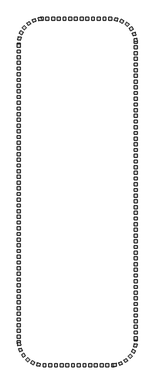
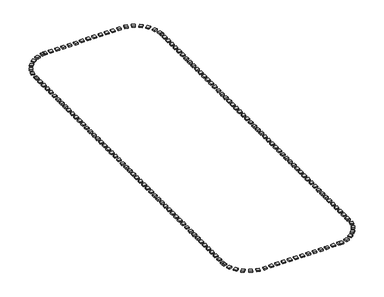
"""IFC4 building model written with IfcOpenShell, lengths in millimetres: railing geometry."""

from ifc_helpers import new_model, si_unit, origin, origin_with_axes, place, context, project, spatial, polyline, outline, extrude, source, transform, mapped, element, save


def railing_aa6bc976(model_context):
    return source(origin(), model_context, "Body", "SweptSolid", [
        extrude(outline(polyline([(-34627.5176302, -182245.3396431), (-34627.5176302, -182745.3396431), (-35127.5176302, -182745.3396431), (-35127.5176302, -182245.3396431), (-34627.5176302, -182245.3396431)])), origin_with_axes(), (0.0, 0.0, 1.0), 200.0),
        extrude(outline(polyline([(-35627.5176302, -182245.3396431), (-35627.5176302, -182745.3396431), (-36127.5176302, -182745.3396431), (-36127.5176302, -182245.3396431), (-35627.5176302, -182245.3396431)])), origin_with_axes(), (0.0, 0.0, 1.0), 200.0),
        extrude(outline(polyline([(-36627.5176302, -182245.3396431), (-36627.5176302, -182745.3396431), (-37127.5176302, -182745.3396431), (-37127.5176302, -182245.3396431), (-36627.5176302, -182245.3396431)])), origin_with_axes(), (0.0, 0.0, 1.0), 200.0),
        extrude(outline(polyline([(-37627.5176302, -182245.3396431), (-37627.5176302, -182745.3396431), (-38127.5176302, -182745.3396431), (-38127.5176302, -182245.3396431), (-37627.5176302, -182245.3396431)])), origin_with_axes(), (0.0, 0.0, 1.0), 200.0),
        extrude(outline(polyline([(-38627.5176302, -182245.3396431), (-38627.5176302, -182745.3396431), (-39127.5176302, -182745.3396431), (-39127.5176302, -182245.3396431), (-38627.5176302, -182245.3396431)])), origin_with_axes(), (0.0, 0.0, 1.0), 200.0),
        extrude(outline(polyline([(-39627.5176302, -182245.3396431), (-39627.5176302, -182745.3396431), (-40127.5176302, -182745.3396431), (-40127.5176302, -182245.3396431), (-39627.5176302, -182245.3396431)])), origin_with_axes(), (0.0, 0.0, 1.0), 200.0),
        extrude(outline(polyline([(-40627.5176302, -182245.3396431), (-40627.5176302, -182745.3396431), (-41127.5176302, -182745.3396431), (-41127.5176302, -182245.3396431), (-40627.5176302, -182245.3396431)])), origin_with_axes(), (0.0, 0.0, 1.0), 200.0),
        extrude(outline(polyline([(-41627.5176302, -182245.3396431), (-41627.5176302, -182745.3396431), (-42127.5176302, -182745.3396431), (-42127.5176302, -182245.3396431), (-41627.5176302, -182245.3396431)])), origin_with_axes(), (0.0, 0.0, 1.0), 200.0),
        extrude(outline(polyline([(-42627.5176302, -182245.3396431), (-42627.5176302, -182745.3396431), (-43127.5176302, -182745.3396431), (-43127.5176302, -182245.3396431), (-42627.5176302, -182245.3396431)])), origin_with_axes(), (0.0, 0.0, 1.0), 200.0),
        extrude(outline(polyline([(-43627.5176302, -182245.3396431), (-43627.5176302, -182745.3396431), (-44127.5176302, -182745.3396431), (-44127.5176302, -182245.3396431), (-43627.5176302, -182245.3396431)])), origin_with_axes(), (0.0, 0.0, 1.0), 200.0),
        extrude(outline(polyline([(-44627.5176302, -182245.3396431), (-44627.5176302, -182745.3396431), (-45127.5176302, -182745.3396431), (-45127.5176302, -182245.3396431), (-44627.5176302, -182245.3396431)])), origin_with_axes(), (0.0, 0.0, 1.0), 200.0),
        extrude(outline(polyline([(-45945.8350377, -182256.6122034), (-45910.4664368, -182755.3596967), (-46409.2139301, -182790.7282975), (-46444.582531, -182291.9808042), (-45945.8350377, -182256.6122034)])), origin_with_axes(), (0.0, 0.0, 1.0), 200.0),
        extrude(outline(polyline([(-47046.4682609, -182474.908856), (-46888.8070797, -182949.4011657), (-47363.2993894, -183107.0623469), (-47520.9605706, -182632.5700372), (-47046.4682609, -182474.908856)])), origin_with_axes(), (0.0, 0.0, 1.0), 200.0),
        extrude(outline(polyline([(-48058.8780066, -182958.7202115), (-47788.7268536, -183379.4557039), (-48209.462346, -183649.6068568), (-48479.613499, -183228.8713644), (-48058.8780066, -182958.7202115)])), origin_with_axes(), (0.0, 0.0, 1.0), 200.0),
        extrude(outline(polyline([(-48920.1175401, -183677.965223), (-48554.2731056, -184018.784603), (-48895.0924857, -184384.6290375), (-49260.9369201, -184043.8096575), (-48920.1175401, -183677.965223)])), origin_with_axes(), (0.0, 0.0, 1.0), 200.0),
        extrude(outline(polyline([(-49576.6391587, -184587.9247194), (-49137.8478777, -184827.6374887), (-49377.560647, -185266.4287697), (-49816.351928, -185026.7160004), (-49576.6391587, -184587.9247194)])), origin_with_axes(), (0.0, 0.0, 1.0), 200.0),
        extrude(outline(polyline([(-49987.6235278, -185632.0218265), (-49503.167317, -185755.7238061), (-49626.8692966, -186240.180017), (-50111.3255075, -186116.4780373), (-49987.6235278, -185632.0218265)])), origin_with_axes(), (0.0, 0.0, 1.0), 200.0),
        extrude(outline(polyline([(-50127.5176302, -186954.0566268), (-49627.5176302, -186954.0566268), (-49627.5176302, -187454.0566268), (-50127.5176302, -187454.0566268), (-50127.5176302, -186954.0566268)])), origin_with_axes(), (0.0, 0.0, 1.0), 200.0),
        extrude(outline(polyline([(-50127.5176302, -187954.0566268), (-49627.5176302, -187954.0566268), (-49627.5176302, -188454.0566268), (-50127.5176302, -188454.0566268), (-50127.5176302, -187954.0566268)])), origin_with_axes(), (0.0, 0.0, 1.0), 200.0),
        extrude(outline(polyline([(-50127.5176302, -188954.0566268), (-49627.5176302, -188954.0566268), (-49627.5176302, -189454.0566268), (-50127.5176302, -189454.0566268), (-50127.5176302, -188954.0566268)])), origin_with_axes(), (0.0, 0.0, 1.0), 200.0),
        extrude(outline(polyline([(-50127.5176302, -189954.0566268), (-49627.5176302, -189954.0566268), (-49627.5176302, -190454.0566268), (-50127.5176302, -190454.0566268), (-50127.5176302, -189954.0566268)])), origin_with_axes(), (0.0, 0.0, 1.0), 200.0),
        extrude(outline(polyline([(-50127.5176302, -190954.0566268), (-49627.5176302, -190954.0566268), (-49627.5176302, -191454.0566268), (-50127.5176302, -191454.0566268), (-50127.5176302, -190954.0566268)])), origin_with_axes(), (0.0, 0.0, 1.0), 200.0),
        extrude(outline(polyline([(-50127.5176302, -191954.0566268), (-49627.5176302, -191954.0566268), (-49627.5176302, -192454.0566268), (-50127.5176302, -192454.0566268), (-50127.5176302, -191954.0566268)])), origin_with_axes(), (0.0, 0.0, 1.0), 200.0),
        extrude(outline(polyline([(-50127.5176302, -192954.0566268), (-49627.5176302, -192954.0566268), (-49627.5176302, -193454.0566268), (-50127.5176302, -193454.0566268), (-50127.5176302, -192954.0566268)])), origin_with_axes(), (0.0, 0.0, 1.0), 200.0),
        extrude(outline(polyline([(-50127.5176302, -193954.0566268), (-49627.5176302, -193954.0566268), (-49627.5176302, -194454.0566268), (-50127.5176302, -194454.0566268), (-50127.5176302, -193954.0566268)])), origin_with_axes(), (0.0, 0.0, 1.0), 200.0),
        extrude(outline(polyline([(-50127.5176302, -194954.0566268), (-49627.5176302, -194954.0566268), (-49627.5176302, -195454.0566268), (-50127.5176302, -195454.0566268), (-50127.5176302, -194954.0566268)])), origin_with_axes(), (0.0, 0.0, 1.0), 200.0),
        extrude(outline(polyline([(-50127.5176302, -195954.0566268), (-49627.5176302, -195954.0566268), (-49627.5176302, -196454.0566268), (-50127.5176302, -196454.0566268), (-50127.5176302, -195954.0566268)])), origin_with_axes(), (0.0, 0.0, 1.0), 200.0),
        extrude(outline(polyline([(-50127.5176302, -196954.0566268), (-49627.5176302, -196954.0566268), (-49627.5176302, -197454.0566268), (-50127.5176302, -197454.0566268), (-50127.5176302, -196954.0566268)])), origin_with_axes(), (0.0, 0.0, 1.0), 200.0),
        extrude(outline(polyline([(-50127.5176302, -197954.0566268), (-49627.5176302, -197954.0566268), (-49627.5176302, -198454.0566268), (-50127.5176302, -198454.0566268), (-50127.5176302, -197954.0566268)])), origin_with_axes(), (0.0, 0.0, 1.0), 200.0),
        extrude(outline(polyline([(-50127.5176302, -198954.0566268), (-49627.5176302, -198954.0566268), (-49627.5176302, -199454.0566268), (-50127.5176302, -199454.0566268), (-50127.5176302, -198954.0566268)])), origin_with_axes(), (0.0, 0.0, 1.0), 200.0),
        extrude(outline(polyline([(-50127.5176302, -199954.0566268), (-49627.5176302, -199954.0566268), (-49627.5176302, -200454.0566268), (-50127.5176302, -200454.0566268), (-50127.5176302, -199954.0566268)])), origin_with_axes(), (0.0, 0.0, 1.0), 200.0),
        extrude(outline(polyline([(-50127.5176302, -200954.0566268), (-49627.5176302, -200954.0566268), (-49627.5176302, -201454.0566268), (-50127.5176302, -201454.0566268), (-50127.5176302, -200954.0566268)])), origin_with_axes(), (0.0, 0.0, 1.0), 200.0),
        extrude(outline(polyline([(-50127.5176302, -201954.0566268), (-49627.5176302, -201954.0566268), (-49627.5176302, -202454.0566268), (-50127.5176302, -202454.0566268), (-50127.5176302, -201954.0566268)])), origin_with_axes(), (0.0, 0.0, 1.0), 200.0),
        extrude(outline(polyline([(-50127.5176302, -202954.0566268), (-49627.5176302, -202954.0566268), (-49627.5176302, -203454.0566268), (-50127.5176302, -203454.0566268), (-50127.5176302, -202954.0566268)])), origin_with_axes(), (0.0, 0.0, 1.0), 200.0),
        extrude(outline(polyline([(-50127.5176302, -203954.0566268), (-49627.5176302, -203954.0566268), (-49627.5176302, -204454.0566268), (-50127.5176302, -204454.0566268), (-50127.5176302, -203954.0566268)])), origin_with_axes(), (0.0, 0.0, 1.0), 200.0),
        extrude(outline(polyline([(-50127.5176302, -204954.0566268), (-49627.5176302, -204954.0566268), (-49627.5176302, -205454.0566268), (-50127.5176302, -205454.0566268), (-50127.5176302, -204954.0566268)])), origin_with_axes(), (0.0, 0.0, 1.0), 200.0),
        extrude(outline(polyline([(-50127.5176302, -205954.0566268), (-49627.5176302, -205954.0566268), (-49627.5176302, -206454.0566268), (-50127.5176302, -206454.0566268), (-50127.5176302, -205954.0566268)])), origin_with_axes(), (0.0, 0.0, 1.0), 200.0),
        extrude(outline(polyline([(-50127.5176302, -206954.0566268), (-49627.5176302, -206954.0566268), (-49627.5176302, -207454.0566268), (-50127.5176302, -207454.0566268), (-50127.5176302, -206954.0566268)])), origin_with_axes(), (0.0, 0.0, 1.0), 200.0),
        extrude(outline(polyline([(-50127.5176302, -207954.0566268), (-49627.5176302, -207954.0566268), (-49627.5176302, -208454.0566268), (-50127.5176302, -208454.0566268), (-50127.5176302, -207954.0566268)])), origin_with_axes(), (0.0, 0.0, 1.0), 200.0),
        extrude(outline(polyline([(-50127.5176302, -208954.0566268), (-49627.5176302, -208954.0566268), (-49627.5176302, -209454.0566268), (-50127.5176302, -209454.0566268), (-50127.5176302, -208954.0566268)])), origin_with_axes(), (0.0, 0.0, 1.0), 200.0),
        extrude(outline(polyline([(-50127.5176302, -209954.0566268), (-49627.5176302, -209954.0566268), (-49627.5176302, -210454.0566268), (-50127.5176302, -210454.0566268), (-50127.5176302, -209954.0566268)])), origin_with_axes(), (0.0, 0.0, 1.0), 200.0),
        extrude(outline(polyline([(-50127.5176302, -210954.0566268), (-49627.5176302, -210954.0566268), (-49627.5176302, -211454.0566268), (-50127.5176302, -211454.0566268), (-50127.5176302, -210954.0566268)])), origin_with_axes(), (0.0, 0.0, 1.0), 200.0),
        extrude(outline(polyline([(-50127.5176302, -211954.0566268), (-49627.5176302, -211954.0566268), (-49627.5176302, -212454.0566268), (-50127.5176302, -212454.0566268), (-50127.5176302, -211954.0566268)])), origin_with_axes(), (0.0, 0.0, 1.0), 200.0),
        extrude(outline(polyline([(-50127.5176302, -212954.0566268), (-49627.5176302, -212954.0566268), (-49627.5176302, -213454.0566268), (-50127.5176302, -213454.0566268), (-50127.5176302, -212954.0566268)])), origin_with_axes(), (0.0, 0.0, 1.0), 200.0),
        extrude(outline(polyline([(-50127.5176302, -213954.0566268), (-49627.5176302, -213954.0566268), (-49627.5176302, -214454.0566268), (-50127.5176302, -214454.0566268), (-50127.5176302, -213954.0566268)])), origin_with_axes(), (0.0, 0.0, 1.0), 200.0),
        extrude(outline(polyline([(-50127.5176302, -214954.0566268), (-49627.5176302, -214954.0566268), (-49627.5176302, -215454.0566268), (-50127.5176302, -215454.0566268), (-50127.5176302, -214954.0566268)])), origin_with_axes(), (0.0, 0.0, 1.0), 200.0),
        extrude(outline(polyline([(-50127.5176302, -215954.0566268), (-49627.5176302, -215954.0566268), (-49627.5176302, -216454.0566268), (-50127.5176302, -216454.0566268), (-50127.5176302, -215954.0566268)])), origin_with_axes(), (0.0, 0.0, 1.0), 200.0),
        extrude(outline(polyline([(-50127.5176302, -216954.0566268), (-49627.5176302, -216954.0566268), (-49627.5176302, -217454.0566268), (-50127.5176302, -217454.0566268), (-50127.5176302, -216954.0566268)])), origin_with_axes(), (0.0, 0.0, 1.0), 200.0),
        extrude(outline(polyline([(-50127.5176302, -217954.0566268), (-49627.5176302, -217954.0566268), (-49627.5176302, -218454.0566268), (-50127.5176302, -218454.0566268), (-50127.5176302, -217954.0566268)])), origin_with_axes(), (0.0, 0.0, 1.0), 200.0),
        extrude(outline(polyline([(-50127.5176302, -218954.0566268), (-49627.5176302, -218954.0566268), (-49627.5176302, -219454.0566268), (-50127.5176302, -219454.0566268), (-50127.5176302, -218954.0566268)])), origin_with_axes(), (0.0, 0.0, 1.0), 200.0),
        extrude(outline(polyline([(-50127.5176302, -219954.0566268), (-49627.5176302, -219954.0566268), (-49627.5176302, -220454.0566268), (-50127.5176302, -220454.0566268), (-50127.5176302, -219954.0566268)])), origin_with_axes(), (0.0, 0.0, 1.0), 200.0),
        extrude(outline(polyline([(-50127.5176302, -220954.0566268), (-49627.5176302, -220954.0566268), (-49627.5176302, -221454.0566268), (-50127.5176302, -221454.0566268), (-50127.5176302, -220954.0566268)])), origin_with_axes(), (0.0, 0.0, 1.0), 200.0),
        extrude(outline(polyline([(-50127.5176302, -221954.0566268), (-49627.5176302, -221954.0566268), (-49627.5176302, -222454.0566268), (-50127.5176302, -222454.0566268), (-50127.5176302, -221954.0566268)])), origin_with_axes(), (0.0, 0.0, 1.0), 200.0),
        extrude(outline(polyline([(-50127.5176302, -222954.0566268), (-49627.5176302, -222954.0566268), (-49627.5176302, -223454.0566268), (-50127.5176302, -223454.0566268), (-50127.5176302, -222954.0566268)])), origin_with_axes(), (0.0, 0.0, 1.0), 200.0),
        extrude(outline(polyline([(-50127.5176302, -223954.0566268), (-49627.5176302, -223954.0566268), (-49627.5176302, -224454.0566268), (-50127.5176302, -224454.0566268), (-50127.5176302, -223954.0566268)])), origin_with_axes(), (0.0, 0.0, 1.0), 200.0),
        extrude(outline(polyline([(-50127.5176302, -224954.0566268), (-49627.5176302, -224954.0566268), (-49627.5176302, -225454.0566268), (-50127.5176302, -225454.0566268), (-50127.5176302, -224954.0566268)])), origin_with_axes(), (0.0, 0.0, 1.0), 200.0),
        extrude(outline(polyline([(-50127.5176302, -225954.0566268), (-49627.5176302, -225954.0566268), (-49627.5176302, -226454.0566268), (-50127.5176302, -226454.0566268), (-50127.5176302, -225954.0566268)])), origin_with_axes(), (0.0, 0.0, 1.0), 200.0),
        extrude(outline(polyline([(-50127.5176302, -226954.0566268), (-49627.5176302, -226954.0566268), (-49627.5176302, -227454.0566268), (-50127.5176302, -227454.0566268), (-50127.5176302, -226954.0566268)])), origin_with_axes(), (0.0, 0.0, 1.0), 200.0),
        extrude(outline(polyline([(-50127.5176302, -227954.0566268), (-49627.5176302, -227954.0566268), (-49627.5176302, -228454.0566268), (-50127.5176302, -228454.0566268), (-50127.5176302, -227954.0566268)])), origin_with_axes(), (0.0, 0.0, 1.0), 200.0),
        extrude(outline(polyline([(-50127.5176302, -228954.0566268), (-49627.5176302, -228954.0566268), (-49627.5176302, -229454.0566268), (-50127.5176302, -229454.0566268), (-50127.5176302, -228954.0566268)])), origin_with_axes(), (0.0, 0.0, 1.0), 200.0),
        extrude(outline(polyline([(-50127.5176302, -229954.0566268), (-49627.5176302, -229954.0566268), (-49627.5176302, -230454.0566268), (-50127.5176302, -230454.0566268), (-50127.5176302, -229954.0566268)])), origin_with_axes(), (0.0, 0.0, 1.0), 200.0),
        extrude(outline(polyline([(-50127.5176302, -230954.0566268), (-49627.5176302, -230954.0566268), (-49627.5176302, -231454.0566268), (-50127.5176302, -231454.0566268), (-50127.5176302, -230954.0566268)])), origin_with_axes(), (0.0, 0.0, 1.0), 200.0),
        extrude(outline(polyline([(-50127.5176302, -231954.0566268), (-49627.5176302, -231954.0566268), (-49627.5176302, -232454.0566268), (-50127.5176302, -232454.0566268), (-50127.5176302, -231954.0566268)])), origin_with_axes(), (0.0, 0.0, 1.0), 200.0),
        extrude(outline(polyline([(-50127.5176302, -232954.0566268), (-49627.5176302, -232954.0566268), (-49627.5176302, -233454.0566268), (-50127.5176302, -233454.0566268), (-50127.5176302, -232954.0566268)])), origin_with_axes(), (0.0, 0.0, 1.0), 200.0),
        extrude(outline(polyline([(-50127.5176302, -233954.0566268), (-49627.5176302, -233954.0566268), (-49627.5176302, -234454.0566268), (-50127.5176302, -234454.0566268), (-50127.5176302, -233954.0566268)])), origin_with_axes(), (0.0, 0.0, 1.0), 200.0),
        extrude(outline(polyline([(-50127.5176302, -234954.0566268), (-49627.5176302, -234954.0566268), (-49627.5176302, -235454.0566268), (-50127.5176302, -235454.0566268), (-50127.5176302, -234954.0566268)])), origin_with_axes(), (0.0, 0.0, 1.0), 200.0),
        extrude(outline(polyline([(-50127.5176302, -235954.0566268), (-49627.5176302, -235954.0566268), (-49627.5176302, -236454.0566268), (-50127.5176302, -236454.0566268), (-50127.5176302, -235954.0566268)])), origin_with_axes(), (0.0, 0.0, 1.0), 200.0),
        extrude(outline(polyline([(-50127.5176302, -236954.0566268), (-49627.5176302, -236954.0566268), (-49627.5176302, -237454.0566268), (-50127.5176302, -237454.0566268), (-50127.5176302, -236954.0566268)])), origin_with_axes(), (0.0, 0.0, 1.0), 200.0),
        extrude(outline(polyline([(-50127.5176302, -237954.0566268), (-49627.5176302, -237954.0566268), (-49627.5176302, -238454.0566268), (-50127.5176302, -238454.0566268), (-50127.5176302, -237954.0566268)])), origin_with_axes(), (0.0, 0.0, 1.0), 200.0),
        extrude(outline(polyline([(-50116.2450699, -239272.3740343), (-49617.4975766, -239237.0054335), (-49582.1289757, -239735.7529268), (-50080.876469, -239771.1215276), (-50116.2450699, -239272.3740343)])), origin_with_axes(), (0.0, 0.0, 1.0), 200.0),
        extrude(outline(polyline([(-49897.9484173, -240373.0072576), (-49423.4561076, -240215.3460764), (-49265.7949264, -240689.838386), (-49740.2872361, -240847.4995672), (-49897.9484173, -240373.0072576)])), origin_with_axes(), (0.0, 0.0, 1.0), 200.0),
        extrude(outline(polyline([(-49414.1370618, -241385.4170032), (-48993.4015694, -241115.2658503), (-48723.2504164, -241536.0013427), (-49143.9859089, -241806.1524956), (-49414.1370618, -241385.4170032)])), origin_with_axes(), (0.0, 0.0, 1.0), 200.0),
        extrude(outline(polyline([(-48694.8920503, -242246.6565367), (-48354.0726702, -241880.8121023), (-47988.2282358, -242221.6314823), (-48329.0476158, -242587.4759167), (-48694.8920503, -242246.6565367)])), origin_with_axes(), (0.0, 0.0, 1.0), 200.0),
        extrude(outline(polyline([(-47784.9325539, -242903.1781553), (-47545.2197846, -242464.3868743), (-47106.4285036, -242704.0996436), (-47346.1412729, -243142.8909246), (-47784.9325539, -242903.1781553)])), origin_with_axes(), (0.0, 0.0, 1.0), 200.0),
        extrude(outline(polyline([(-46740.8354468, -243314.1625245), (-46617.1334672, -242829.7063136), (-46132.6772563, -242953.4082933), (-46256.3792359, -243437.8645041), (-46740.8354468, -243314.1625245)])), origin_with_axes(), (0.0, 0.0, 1.0), 200.0),
        extrude(outline(polyline([(-44627.5176302, -243454.0566268), (-44627.5176302, -242954.0566268), (-44127.5176302, -242954.0566268), (-44127.5176302, -243454.0566268), (-44627.5176302, -243454.0566268)])), origin_with_axes(), (0.0, 0.0, 1.0), 200.0),
        extrude(outline(polyline([(-43627.5176302, -243454.0566268), (-43627.5176302, -242954.0566268), (-43127.5176302, -242954.0566268), (-43127.5176302, -243454.0566268), (-43627.5176302, -243454.0566268)])), origin_with_axes(), (0.0, 0.0, 1.0), 200.0),
        extrude(outline(polyline([(-42627.5176302, -243454.0566268), (-42627.5176302, -242954.0566268), (-42127.5176302, -242954.0566268), (-42127.5176302, -243454.0566268), (-42627.5176302, -243454.0566268)])), origin_with_axes(), (0.0, 0.0, 1.0), 200.0),
        extrude(outline(polyline([(-41627.5176302, -243454.0566268), (-41627.5176302, -242954.0566268), (-41127.5176302, -242954.0566268), (-41127.5176302, -243454.0566268), (-41627.5176302, -243454.0566268)])), origin_with_axes(), (0.0, 0.0, 1.0), 200.0),
        extrude(outline(polyline([(-40627.5176302, -243454.0566268), (-40627.5176302, -242954.0566268), (-40127.5176302, -242954.0566268), (-40127.5176302, -243454.0566268), (-40627.5176302, -243454.0566268)])), origin_with_axes(), (0.0, 0.0, 1.0), 200.0),
        extrude(outline(polyline([(-39627.5176302, -243454.0566268), (-39627.5176302, -242954.0566268), (-39127.5176302, -242954.0566268), (-39127.5176302, -243454.0566268), (-39627.5176302, -243454.0566268)])), origin_with_axes(), (0.0, 0.0, 1.0), 200.0),
        extrude(outline(polyline([(-38627.5176302, -243454.0566268), (-38627.5176302, -242954.0566268), (-38127.5176302, -242954.0566268), (-38127.5176302, -243454.0566268), (-38627.5176302, -243454.0566268)])), origin_with_axes(), (0.0, 0.0, 1.0), 200.0),
        extrude(outline(polyline([(-37627.5176302, -243454.0566268), (-37627.5176302, -242954.0566268), (-37127.5176302, -242954.0566268), (-37127.5176302, -243454.0566268), (-37627.5176302, -243454.0566268)])), origin_with_axes(), (0.0, 0.0, 1.0), 200.0),
        extrude(outline(polyline([(-36627.5176302, -243454.0566268), (-36627.5176302, -242954.0566268), (-36127.5176302, -242954.0566268), (-36127.5176302, -243454.0566268), (-36627.5176302, -243454.0566268)])), origin_with_axes(), (0.0, 0.0, 1.0), 200.0),
        extrude(outline(polyline([(-35627.5176302, -243454.0566268), (-35627.5176302, -242954.0566268), (-35127.5176302, -242954.0566268), (-35127.5176302, -243454.0566268), (-35627.5176302, -243454.0566268)])), origin_with_axes(), (0.0, 0.0, 1.0), 200.0),
        extrude(outline(polyline([(-34627.5176302, -243454.0566268), (-34627.5176302, -242954.0566268), (-34127.5176302, -242954.0566268), (-34127.5176302, -243454.0566268), (-34627.5176302, -243454.0566268)])), origin_with_axes(), (0.0, 0.0, 1.0), 200.0),
        extrude(outline(polyline([(-33309.2002226, -243442.7840665), (-33344.5688235, -242944.0365732), (-32845.8213302, -242908.6679724), (-32810.4527293, -243407.4154657), (-33309.2002226, -243442.7840665)])), origin_with_axes(), (0.0, 0.0, 1.0), 200.0),
        extrude(outline(polyline([(-32208.5669994, -243224.4874139), (-32366.2281806, -242749.9951042), (-31891.7358709, -242592.333923), (-31734.0746897, -243066.8262327), (-32208.5669994, -243224.4874139)])), origin_with_axes(), (0.0, 0.0, 1.0), 200.0),
        extrude(outline(polyline([(-31196.1572537, -242740.6760584), (-31466.3084067, -242319.940566), (-31045.5729143, -242049.7894131), (-30775.4217613, -242470.5249055), (-31196.1572537, -242740.6760584)])), origin_with_axes(), (0.0, 0.0, 1.0), 200.0),
        extrude(outline(polyline([(-30334.9177202, -242021.4310469), (-30700.7621547, -241680.6116669), (-30359.9427746, -241314.7672324), (-29994.0983402, -241655.5866125), (-30334.9177202, -242021.4310469)])), origin_with_axes(), (0.0, 0.0, 1.0), 200.0),
        extrude(outline(polyline([(-29678.3961016, -241111.4715505), (-30117.1873826, -240871.7587812), (-29877.4746133, -240432.9675003), (-29438.6833323, -240672.6802696), (-29678.3961016, -241111.4715505)])), origin_with_axes(), (0.0, 0.0, 1.0), 200.0),
        extrude(outline(polyline([(-29267.4117325, -240067.3744434), (-29751.8679433, -239943.6724638), (-29628.1659637, -239459.2162529), (-29143.7097528, -239582.9182326), (-29267.4117325, -240067.3744434)])), origin_with_axes(), (0.0, 0.0, 1.0), 200.0),
        extrude(outline(polyline([(-29127.5176302, -238745.3396431), (-29627.5176302, -238745.3396431), (-29627.5176302, -238245.3396431), (-29127.5176302, -238245.3396431), (-29127.5176302, -238745.3396431)])), origin_with_axes(), (0.0, 0.0, 1.0), 200.0),
        extrude(outline(polyline([(-29127.5176302, -237745.3396431), (-29627.5176302, -237745.3396431), (-29627.5176302, -237245.3396431), (-29127.5176302, -237245.3396431), (-29127.5176302, -237745.3396431)])), origin_with_axes(), (0.0, 0.0, 1.0), 200.0),
        extrude(outline(polyline([(-29127.5176302, -236745.3396431), (-29627.5176302, -236745.3396431), (-29627.5176302, -236245.3396431), (-29127.5176302, -236245.3396431), (-29127.5176302, -236745.3396431)])), origin_with_axes(), (0.0, 0.0, 1.0), 200.0),
        extrude(outline(polyline([(-29127.5176302, -235745.3396431), (-29627.5176302, -235745.3396431), (-29627.5176302, -235245.3396431), (-29127.5176302, -235245.3396431), (-29127.5176302, -235745.3396431)])), origin_with_axes(), (0.0, 0.0, 1.0), 200.0),
        extrude(outline(polyline([(-29127.5176302, -234745.3396431), (-29627.5176302, -234745.3396431), (-29627.5176302, -234245.3396431), (-29127.5176302, -234245.3396431), (-29127.5176302, -234745.3396431)])), origin_with_axes(), (0.0, 0.0, 1.0), 200.0),
        extrude(outline(polyline([(-29127.5176302, -233745.3396431), (-29627.5176302, -233745.3396431), (-29627.5176302, -233245.3396431), (-29127.5176302, -233245.3396431), (-29127.5176302, -233745.3396431)])), origin_with_axes(), (0.0, 0.0, 1.0), 200.0),
        extrude(outline(polyline([(-29127.5176302, -232745.3396431), (-29627.5176302, -232745.3396431), (-29627.5176302, -232245.3396431), (-29127.5176302, -232245.3396431), (-29127.5176302, -232745.3396431)])), origin_with_axes(), (0.0, 0.0, 1.0), 200.0),
        extrude(outline(polyline([(-29127.5176302, -231745.3396431), (-29627.5176302, -231745.3396431), (-29627.5176302, -231245.3396431), (-29127.5176302, -231245.3396431), (-29127.5176302, -231745.3396431)])), origin_with_axes(), (0.0, 0.0, 1.0), 200.0),
        extrude(outline(polyline([(-29127.5176302, -230745.3396431), (-29627.5176302, -230745.3396431), (-29627.5176302, -230245.3396431), (-29127.5176302, -230245.3396431), (-29127.5176302, -230745.3396431)])), origin_with_axes(), (0.0, 0.0, 1.0), 200.0),
        extrude(outline(polyline([(-29127.5176302, -229745.3396431), (-29627.5176302, -229745.3396431), (-29627.5176302, -229245.3396431), (-29127.5176302, -229245.3396431), (-29127.5176302, -229745.3396431)])), origin_with_axes(), (0.0, 0.0, 1.0), 200.0),
        extrude(outline(polyline([(-29127.5176302, -228745.3396431), (-29627.5176302, -228745.3396431), (-29627.5176302, -228245.3396431), (-29127.5176302, -228245.3396431), (-29127.5176302, -228745.3396431)])), origin_with_axes(), (0.0, 0.0, 1.0), 200.0),
        extrude(outline(polyline([(-29127.5176302, -227745.3396431), (-29627.5176302, -227745.3396431), (-29627.5176302, -227245.3396431), (-29127.5176302, -227245.3396431), (-29127.5176302, -227745.3396431)])), origin_with_axes(), (0.0, 0.0, 1.0), 200.0),
        extrude(outline(polyline([(-29127.5176302, -226745.3396431), (-29627.5176302, -226745.3396431), (-29627.5176302, -226245.3396431), (-29127.5176302, -226245.3396431), (-29127.5176302, -226745.3396431)])), origin_with_axes(), (0.0, 0.0, 1.0), 200.0),
        extrude(outline(polyline([(-29127.5176302, -225745.3396431), (-29627.5176302, -225745.3396431), (-29627.5176302, -225245.3396431), (-29127.5176302, -225245.3396431), (-29127.5176302, -225745.3396431)])), origin_with_axes(), (0.0, 0.0, 1.0), 200.0),
        extrude(outline(polyline([(-29127.5176302, -224745.3396431), (-29627.5176302, -224745.3396431), (-29627.5176302, -224245.3396431), (-29127.5176302, -224245.3396431), (-29127.5176302, -224745.3396431)])), origin_with_axes(), (0.0, 0.0, 1.0), 200.0),
        extrude(outline(polyline([(-29127.5176302, -223745.3396431), (-29627.5176302, -223745.3396431), (-29627.5176302, -223245.3396431), (-29127.5176302, -223245.3396431), (-29127.5176302, -223745.3396431)])), origin_with_axes(), (0.0, 0.0, 1.0), 200.0),
        extrude(outline(polyline([(-29127.5176302, -222745.3396431), (-29627.5176302, -222745.3396431), (-29627.5176302, -222245.3396431), (-29127.5176302, -222245.3396431), (-29127.5176302, -222745.3396431)])), origin_with_axes(), (0.0, 0.0, 1.0), 200.0),
        extrude(outline(polyline([(-29127.5176302, -221745.3396431), (-29627.5176302, -221745.3396431), (-29627.5176302, -221245.3396431), (-29127.5176302, -221245.3396431), (-29127.5176302, -221745.3396431)])), origin_with_axes(), (0.0, 0.0, 1.0), 200.0),
        extrude(outline(polyline([(-29127.5176302, -220745.3396431), (-29627.5176302, -220745.3396431), (-29627.5176302, -220245.3396431), (-29127.5176302, -220245.3396431), (-29127.5176302, -220745.3396431)])), origin_with_axes(), (0.0, 0.0, 1.0), 200.0),
        extrude(outline(polyline([(-29127.5176302, -219745.3396431), (-29627.5176302, -219745.3396431), (-29627.5176302, -219245.3396431), (-29127.5176302, -219245.3396431), (-29127.5176302, -219745.3396431)])), origin_with_axes(), (0.0, 0.0, 1.0), 200.0),
        extrude(outline(polyline([(-29127.5176302, -218745.3396431), (-29627.5176302, -218745.3396431), (-29627.5176302, -218245.3396431), (-29127.5176302, -218245.3396431), (-29127.5176302, -218745.3396431)])), origin_with_axes(), (0.0, 0.0, 1.0), 200.0),
        extrude(outline(polyline([(-29127.5176302, -217745.3396431), (-29627.5176302, -217745.3396431), (-29627.5176302, -217245.3396431), (-29127.5176302, -217245.3396431), (-29127.5176302, -217745.3396431)])), origin_with_axes(), (0.0, 0.0, 1.0), 200.0),
        extrude(outline(polyline([(-29127.5176302, -216745.3396431), (-29627.5176302, -216745.3396431), (-29627.5176302, -216245.3396431), (-29127.5176302, -216245.3396431), (-29127.5176302, -216745.3396431)])), origin_with_axes(), (0.0, 0.0, 1.0), 200.0),
        extrude(outline(polyline([(-29127.5176302, -215745.3396431), (-29627.5176302, -215745.3396431), (-29627.5176302, -215245.3396431), (-29127.5176302, -215245.3396431), (-29127.5176302, -215745.3396431)])), origin_with_axes(), (0.0, 0.0, 1.0), 200.0),
        extrude(outline(polyline([(-29127.5176302, -214745.3396431), (-29627.5176302, -214745.3396431), (-29627.5176302, -214245.3396431), (-29127.5176302, -214245.3396431), (-29127.5176302, -214745.3396431)])), origin_with_axes(), (0.0, 0.0, 1.0), 200.0),
        extrude(outline(polyline([(-29127.5176302, -213745.3396431), (-29627.5176302, -213745.3396431), (-29627.5176302, -213245.3396431), (-29127.5176302, -213245.3396431), (-29127.5176302, -213745.3396431)])), origin_with_axes(), (0.0, 0.0, 1.0), 200.0),
        extrude(outline(polyline([(-29127.5176302, -212745.3396431), (-29627.5176302, -212745.3396431), (-29627.5176302, -212245.3396431), (-29127.5176302, -212245.3396431), (-29127.5176302, -212745.3396431)])), origin_with_axes(), (0.0, 0.0, 1.0), 200.0),
        extrude(outline(polyline([(-29127.5176302, -211745.3396431), (-29627.5176302, -211745.3396431), (-29627.5176302, -211245.3396431), (-29127.5176302, -211245.3396431), (-29127.5176302, -211745.3396431)])), origin_with_axes(), (0.0, 0.0, 1.0), 200.0),
        extrude(outline(polyline([(-29127.5176302, -210745.3396431), (-29627.5176302, -210745.3396431), (-29627.5176302, -210245.3396431), (-29127.5176302, -210245.3396431), (-29127.5176302, -210745.3396431)])), origin_with_axes(), (0.0, 0.0, 1.0), 200.0),
        extrude(outline(polyline([(-29127.5176302, -209745.3396431), (-29627.5176302, -209745.3396431), (-29627.5176302, -209245.3396431), (-29127.5176302, -209245.3396431), (-29127.5176302, -209745.3396431)])), origin_with_axes(), (0.0, 0.0, 1.0), 200.0),
        extrude(outline(polyline([(-29127.5176302, -208745.3396431), (-29627.5176302, -208745.3396431), (-29627.5176302, -208245.3396431), (-29127.5176302, -208245.3396431), (-29127.5176302, -208745.3396431)])), origin_with_axes(), (0.0, 0.0, 1.0), 200.0),
        extrude(outline(polyline([(-29127.5176302, -207745.3396431), (-29627.5176302, -207745.3396431), (-29627.5176302, -207245.3396431), (-29127.5176302, -207245.3396431), (-29127.5176302, -207745.3396431)])), origin_with_axes(), (0.0, 0.0, 1.0), 200.0),
        extrude(outline(polyline([(-29127.5176302, -206745.3396431), (-29627.5176302, -206745.3396431), (-29627.5176302, -206245.3396431), (-29127.5176302, -206245.3396431), (-29127.5176302, -206745.3396431)])), origin_with_axes(), (0.0, 0.0, 1.0), 200.0),
        extrude(outline(polyline([(-29127.5176302, -205745.3396431), (-29627.5176302, -205745.3396431), (-29627.5176302, -205245.3396431), (-29127.5176302, -205245.3396431), (-29127.5176302, -205745.3396431)])), origin_with_axes(), (0.0, 0.0, 1.0), 200.0),
        extrude(outline(polyline([(-29127.5176302, -204745.3396431), (-29627.5176302, -204745.3396431), (-29627.5176302, -204245.3396431), (-29127.5176302, -204245.3396431), (-29127.5176302, -204745.3396431)])), origin_with_axes(), (0.0, 0.0, 1.0), 200.0),
        extrude(outline(polyline([(-29127.5176302, -203745.3396431), (-29627.5176302, -203745.3396431), (-29627.5176302, -203245.3396431), (-29127.5176302, -203245.3396431), (-29127.5176302, -203745.3396431)])), origin_with_axes(), (0.0, 0.0, 1.0), 200.0),
        extrude(outline(polyline([(-29127.5176302, -202745.3396431), (-29627.5176302, -202745.3396431), (-29627.5176302, -202245.3396431), (-29127.5176302, -202245.3396431), (-29127.5176302, -202745.3396431)])), origin_with_axes(), (0.0, 0.0, 1.0), 200.0),
        extrude(outline(polyline([(-29127.5176302, -201745.3396431), (-29627.5176302, -201745.3396431), (-29627.5176302, -201245.3396431), (-29127.5176302, -201245.3396431), (-29127.5176302, -201745.3396431)])), origin_with_axes(), (0.0, 0.0, 1.0), 200.0),
        extrude(outline(polyline([(-29127.5176302, -200745.3396431), (-29627.5176302, -200745.3396431), (-29627.5176302, -200245.3396431), (-29127.5176302, -200245.3396431), (-29127.5176302, -200745.3396431)])), origin_with_axes(), (0.0, 0.0, 1.0), 200.0),
        extrude(outline(polyline([(-29127.5176302, -199745.3396431), (-29627.5176302, -199745.3396431), (-29627.5176302, -199245.3396431), (-29127.5176302, -199245.3396431), (-29127.5176302, -199745.3396431)])), origin_with_axes(), (0.0, 0.0, 1.0), 200.0),
        extrude(outline(polyline([(-29127.5176302, -198745.3396431), (-29627.5176302, -198745.3396431), (-29627.5176302, -198245.3396431), (-29127.5176302, -198245.3396431), (-29127.5176302, -198745.3396431)])), origin_with_axes(), (0.0, 0.0, 1.0), 200.0),
        extrude(outline(polyline([(-29127.5176302, -197745.3396431), (-29627.5176302, -197745.3396431), (-29627.5176302, -197245.3396431), (-29127.5176302, -197245.3396431), (-29127.5176302, -197745.3396431)])), origin_with_axes(), (0.0, 0.0, 1.0), 200.0),
        extrude(outline(polyline([(-29127.5176302, -196745.3396431), (-29627.5176302, -196745.3396431), (-29627.5176302, -196245.3396431), (-29127.5176302, -196245.3396431), (-29127.5176302, -196745.3396431)])), origin_with_axes(), (0.0, 0.0, 1.0), 200.0),
        extrude(outline(polyline([(-29127.5176302, -195745.3396431), (-29627.5176302, -195745.3396431), (-29627.5176302, -195245.3396431), (-29127.5176302, -195245.3396431), (-29127.5176302, -195745.3396431)])), origin_with_axes(), (0.0, 0.0, 1.0), 200.0),
        extrude(outline(polyline([(-29127.5176302, -194745.3396431), (-29627.5176302, -194745.3396431), (-29627.5176302, -194245.3396431), (-29127.5176302, -194245.3396431), (-29127.5176302, -194745.3396431)])), origin_with_axes(), (0.0, 0.0, 1.0), 200.0),
        extrude(outline(polyline([(-29127.5176302, -193745.3396431), (-29627.5176302, -193745.3396431), (-29627.5176302, -193245.3396431), (-29127.5176302, -193245.3396431), (-29127.5176302, -193745.3396431)])), origin_with_axes(), (0.0, 0.0, 1.0), 200.0),
        extrude(outline(polyline([(-29127.5176302, -192745.3396431), (-29627.5176302, -192745.3396431), (-29627.5176302, -192245.3396431), (-29127.5176302, -192245.3396431), (-29127.5176302, -192745.3396431)])), origin_with_axes(), (0.0, 0.0, 1.0), 200.0),
        extrude(outline(polyline([(-29127.5176302, -191745.3396431), (-29627.5176302, -191745.3396431), (-29627.5176302, -191245.3396431), (-29127.5176302, -191245.3396431), (-29127.5176302, -191745.3396431)])), origin_with_axes(), (0.0, 0.0, 1.0), 200.0),
        extrude(outline(polyline([(-29127.5176302, -190745.3396431), (-29627.5176302, -190745.3396431), (-29627.5176302, -190245.3396431), (-29127.5176302, -190245.3396431), (-29127.5176302, -190745.3396431)])), origin_with_axes(), (0.0, 0.0, 1.0), 200.0),
        extrude(outline(polyline([(-29127.5176302, -189745.3396431), (-29627.5176302, -189745.3396431), (-29627.5176302, -189245.3396431), (-29127.5176302, -189245.3396431), (-29127.5176302, -189745.3396431)])), origin_with_axes(), (0.0, 0.0, 1.0), 200.0),
        extrude(outline(polyline([(-29127.5176302, -188745.3396431), (-29627.5176302, -188745.3396431), (-29627.5176302, -188245.3396431), (-29127.5176302, -188245.3396431), (-29127.5176302, -188745.3396431)])), origin_with_axes(), (0.0, 0.0, 1.0), 200.0),
        extrude(outline(polyline([(-29127.5176302, -187745.3396431), (-29627.5176302, -187745.3396431), (-29627.5176302, -187245.3396431), (-29127.5176302, -187245.3396431), (-29127.5176302, -187745.3396431)])), origin_with_axes(), (0.0, 0.0, 1.0), 200.0),
        extrude(outline(polyline([(-29138.7901904, -186427.0222356), (-29637.5376837, -186462.3908365), (-29672.9062846, -185963.6433432), (-29174.1587913, -185928.2747423), (-29138.7901904, -186427.0222356)])), origin_with_axes(), (0.0, 0.0, 1.0), 200.0),
        extrude(outline(polyline([(-29357.0868431, -185326.3890124), (-29831.5791527, -185484.0501935), (-29989.2403339, -185009.5578839), (-29514.7480242, -184851.8967027), (-29357.0868431, -185326.3890124)])), origin_with_axes(), (0.0, 0.0, 1.0), 200.0),
        extrude(outline(polyline([(-29840.8981985, -184313.9792667), (-30261.6336909, -184584.1304197), (-30531.7848439, -184163.3949273), (-30111.0493514, -183893.2437743), (-29840.8981985, -184313.9792667)])), origin_with_axes(), (0.0, 0.0, 1.0), 200.0),
        extrude(outline(polyline([(-30560.14321, -183452.7397332), (-30900.9625901, -183818.5841676), (-31266.8070245, -183477.7647876), (-30925.9876445, -183111.9203532), (-30560.14321, -183452.7397332)])), origin_with_axes(), (0.0, 0.0, 1.0), 200.0),
        extrude(outline(polyline([(-31470.1027064, -182796.2181146), (-31709.8154757, -183235.0093956), (-32148.6067567, -182995.2966263), (-31908.8939874, -182556.5053453), (-31470.1027064, -182796.2181146)])), origin_with_axes(), (0.0, 0.0, 1.0), 200.0),
        extrude(outline(polyline([(-32514.1998135, -182385.2337454), (-32637.9017931, -182869.6899563), (-33122.358004, -182745.9879767), (-32998.6560244, -182261.5317658), (-32514.1998135, -182385.2337454)])), origin_with_axes(), (0.0, 0.0, 1.0), 200.0),
        extrude(outline(polyline([(-33627.5176302, -182245.3396431), (-33627.5176302, -182745.3396431), (-34127.5176302, -182745.3396431), (-34127.5176302, -182245.3396431), (-33627.5176302, -182245.3396431)])), origin_with_axes(), (0.0, 0.0, 1.0), 200.0),
        extrude(outline(polyline([(-45627.5176302, -182245.3396431), (-45627.5176302, -182745.3396431), (-46127.5176302, -182745.3396431), (-46127.5176302, -182245.3396431), (-45627.5176302, -182245.3396431)])), origin_with_axes(), (0.0, 0.0, 1.0), 200.0),
        extrude(outline(polyline([(-50127.5176302, -186745.3396431), (-49627.5176302, -186745.3396431), (-49627.5176302, -187245.3396431), (-50127.5176302, -187245.3396431), (-50127.5176302, -186745.3396431)])), origin_with_axes(), (0.0, 0.0, 1.0), 200.0),
        extrude(outline(polyline([(-50127.5176302, -238954.0566268), (-49627.5176302, -238954.0566268), (-49627.5176302, -239454.0566268), (-50127.5176302, -239454.0566268), (-50127.5176302, -238954.0566268)])), origin_with_axes(), (0.0, 0.0, 1.0), 200.0),
        extrude(outline(polyline([(-45627.5176302, -243454.0566268), (-45627.5176302, -242954.0566268), (-45127.5176302, -242954.0566268), (-45127.5176302, -243454.0566268), (-45627.5176302, -243454.0566268)])), origin_with_axes(), (0.0, 0.0, 1.0), 200.0),
        extrude(outline(polyline([(-33627.5176302, -243454.0566268), (-33627.5176302, -242954.0566268), (-33127.5176302, -242954.0566268), (-33127.5176302, -243454.0566268), (-33627.5176302, -243454.0566268)])), origin_with_axes(), (0.0, 0.0, 1.0), 200.0),
        extrude(outline(polyline([(-29127.5176302, -238954.0566268), (-29627.5176302, -238954.0566268), (-29627.5176302, -238454.0566268), (-29127.5176302, -238454.0566268), (-29127.5176302, -238954.0566268)])), origin_with_axes(), (0.0, 0.0, 1.0), 200.0),
        extrude(outline(polyline([(-29127.5176302, -186745.3396431), (-29627.5176302, -186745.3396431), (-29627.5176302, -186245.3396431), (-29127.5176302, -186245.3396431), (-29127.5176302, -186745.3396431)])), origin_with_axes(), (0.0, 0.0, 1.0), 200.0),
    ])


if __name__ == "__main__":
    model = new_model("IFC4")
    model_context = context("Model", 3, world=origin())
    ifc_project = project(units=[si_unit("LENGTHUNIT", "METRE", prefix="MILLI")], contexts=[model_context])
    site = spatial("IfcSite", under=ifc_project)
    building = spatial("IfcBuilding", under=site)
    placement = place(None, origin())
    railing_shape = railing_aa6bc976(model_context)
    element("IfcRailing", 1, at=placement, inside=building, context=model_context, shape_type="MappedRepresentation", body=[
        mapped(railing_shape, transform((0.0, 0.0, 0.0), x_axis=(1.0, 0.0, 0.0), y_axis=(0.0, 1.0, 0.0), z_axis=(0.0, 0.0, 1.0))),
    ])
    save(model, "model.ifc")
